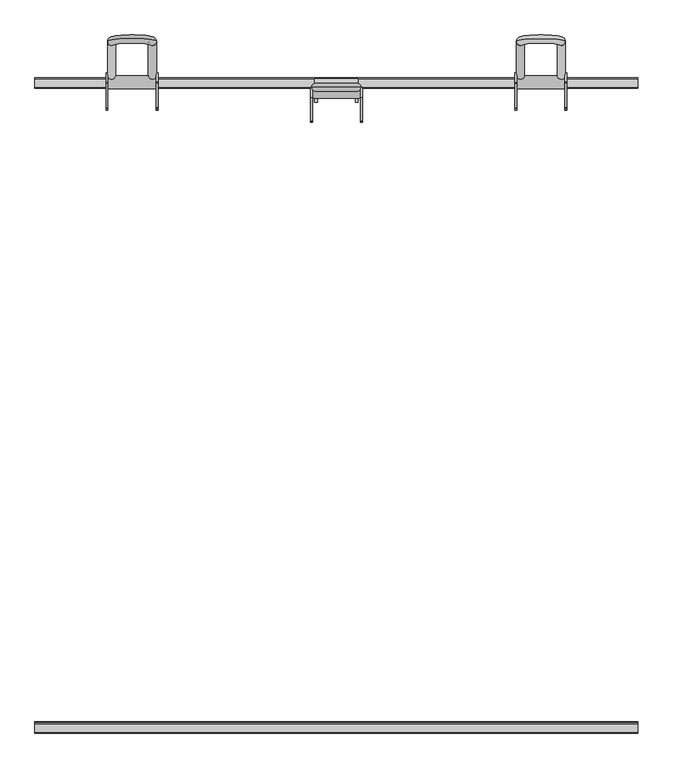
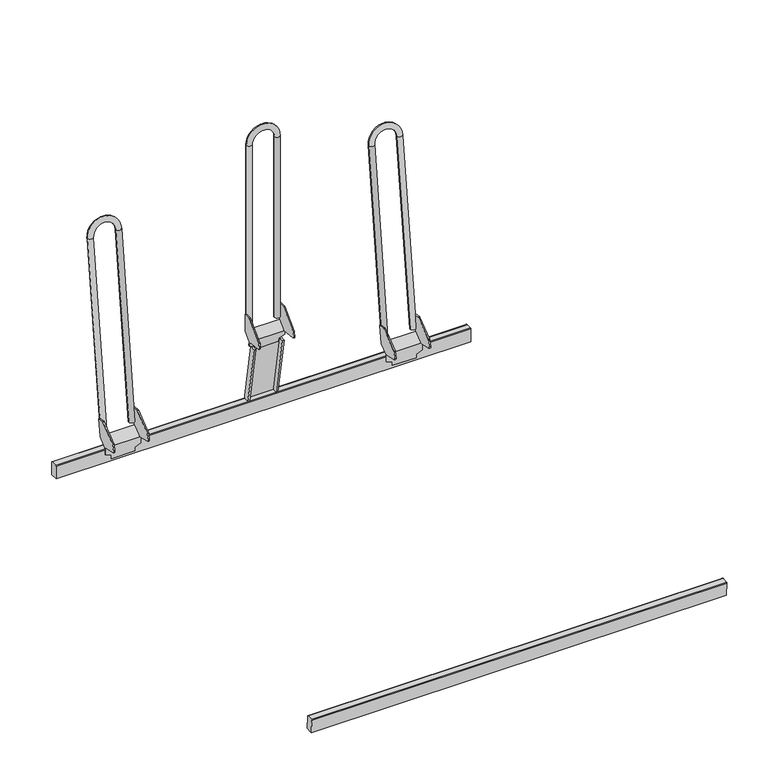
"""IFC4 building model written with IfcOpenShell, lengths in millimetres: proxy geometry."""

from ifc_helpers import new_model, si_unit, point, frame, frame_2d, origin, place, context, project, spatial, polyline, circle_curve, ellipse_curve, trimmed, segment, composite_curve, outline, extrude, source, transform, mapped, element, save
from ifc_brep_helpers import plane_surface, cylinder_surface, revolved_surface, advanced_brep


def parking_a4bcd320(model_context):
    return source(origin(), model_context, "Body", "SolidModel", [
        advanced_brep(
        [(349.1811577, 589.2519533, 63.0446241), (349.1811577, 565.6416002, 44.5364845), (349.1811577, 565.6416002, 24.6645516), (349.1811577, 563.5616628, 24.6645516), (349.1811577, 563.5616628, 45.0514916), (349.1811577, 524.7480023, 54.6620253), (349.1811577, 521.8246807, 59.5094341), (349.1811577, 526.138175, 76.930163), (349.1811577, 527.1994208, 78.5701519), (349.1811577, 575.1215703, 116.1362921), (349.1811577, 576.5959669, 116.5477533), (349.1811577, 595.4565216, 114.262995), (450.8188423, 565.6416002, 44.5364845), (450.8188423, 589.2519533, 63.0446241), (450.8188423, 595.4565216, 114.262995), (450.8188423, 576.5959669, 116.5477533), (450.8188423, 575.1215703, 116.1362921), (450.8188423, 527.1994208, 78.5701519), (450.8188423, 526.138175, 76.930163), (450.8188423, 521.8246807, 59.5094341), (450.8188423, 524.7480023, 54.6620253), (450.8188423, 563.5616628, 45.0514916), (450.8188423, 563.5616628, 24.6645516), (450.8188423, 565.6416002, 24.6645516), (352.7309694, 595.4565216, 114.262995), (352.7309694, 589.5391244, 65.4152059), (447.2690307, 589.5391244, 65.4152059), (447.2690307, 595.4565216, 114.262995), (447.2690307, 563.5616628, 45.0514916), (352.7309694, 563.5616628, 45.0514916), (447.2690307, 565.6416002, 44.5364845), (352.7309694, 565.6416002, 44.5364845), (366.2652221, 563.5616628, 17.4127965), (366.2652221, 563.5616628, 7.4127965), (433.7347779, 563.5616628, 7.4127965), (433.7347779, 563.5616628, 17.4127965), (433.7347779, 565.6416002, 17.4127965), (433.7347779, 565.6416002, 7.4127965), (366.2652221, 565.6416002, 7.4127965), (366.2652221, 565.6416002, 17.4127965), (447.2690307, 524.7480023, 54.6620253), (447.2690307, 521.8246807, 59.5094341), (447.2690307, 526.138175, 76.930163), (447.2690307, 527.1994208, 78.5701519), (447.2690307, 575.1215703, 116.1362921), (447.2690307, 576.5959669, 116.5477533), (352.7309694, 576.5959669, 116.5477533), (352.7309694, 575.1215703, 116.1362921), (352.7309694, 527.1994208, 78.5701519), (352.7309694, 526.138175, 76.930163), (352.7309694, 521.8246807, 59.5094341), (352.7309694, 524.7480023, 54.6620253)],
        [
            (0, 1),
            (1, 2),
            (2, 3),
            (3, 4),
            (4, 5),
            (5, 6, circle_curve(frame((349.1811577, 525.7100459, 58.5473905), z_axis=(-1.0, 0.0, 0.0), x_axis=(0.0, 0.9993329440952969, 0.036519403689357466)), 4.0026979)),
            (6, 7),
            (7, 8, circle_curve(frame((349.1811577, 529.0502347, 76.2091166), z_axis=(-1.0, 0.0, 0.0), x_axis=(0.0, 0.9993329440952969, 0.036519403689357466)), 3.0)),
            (8, 9),
            (9, 10, circle_curve(frame((349.1811577, 576.3554463, 114.5622685), z_axis=(-1.0, 0.0, 0.0), x_axis=(0.0, 0.9993329440952969, 0.036519403689357466)), 2.0)),
            (10, 11),
            (11, 0),
            (12, 13),
            (13, 14),
            (14, 15),
            (15, 16, circle_curve(frame((450.8188423, 576.3554463, 114.5622685), z_axis=(1.0, 0.0, 0.0), x_axis=(0.0, 0.9993329440952969, 0.036519403689357466)), 2.0)),
            (16, 17),
            (17, 18, circle_curve(frame((450.8188423, 529.0502347, 76.2091166), z_axis=(1.0, 0.0, 0.0), x_axis=(0.0, 0.9993329440952969, 0.036519403689357466)), 3.0)),
            (18, 19),
            (19, 20, circle_curve(frame((450.8188423, 525.7100459, 58.5473905), z_axis=(1.0, 0.0, 0.0), x_axis=(0.0, 0.9993329440952969, 0.036519403689357466)), 4.0026979)),
            (20, 21),
            (21, 22),
            (22, 23),
            (23, 12),
            (11, 24),
            (24, 25),
            (25, 26),
            (26, 27),
            (27, 14),
            (13, 0),
            (28, 26),
            (25, 29),
            (29, 28),
            (12, 30),
            (30, 31),
            (31, 1),
            (3, 32),
            (32, 33),
            (33, 34),
            (34, 35),
            (35, 22),
            (21, 28),
            (29, 4),
            (23, 36),
            (36, 37),
            (37, 38),
            (38, 39),
            (39, 2),
            (35, 36),
            (39, 32),
            (38, 33),
            (37, 34),
            (40, 41, circle_curve(frame((447.2690307, 525.7100459, 58.5473905), z_axis=(-1.0, 0.0, 0.0), x_axis=(0.0, 0.9993329440952969, 0.036519403689357466)), 4.0026979)),
            (41, 42),
            (42, 43, circle_curve(frame((447.2690307, 529.0502347, 76.2091166), z_axis=(-1.0, 0.0, 0.0), x_axis=(0.0, 0.9993329440952969, 0.036519403689357466)), 3.0)),
            (43, 44),
            (44, 45, circle_curve(frame((447.2690307, 576.3554463, 114.5622685), z_axis=(-1.0, 0.0, 0.0), x_axis=(0.0, 0.9993329440952969, 0.036519403689357466)), 2.0)),
            (45, 27),
            (28, 40),
            (24, 46),
            (46, 47, circle_curve(frame((352.7309694, 576.3554463, 114.5622685), z_axis=(1.0, 0.0, 0.0), x_axis=(0.0, 0.9993329440952969, 0.036519403689357466)), 2.0)),
            (47, 48),
            (48, 49, circle_curve(frame((352.7309694, 529.0502347, 76.2091166), z_axis=(1.0, 0.0, 0.0), x_axis=(0.0, 0.9993329440952969, 0.036519403689357466)), 3.0)),
            (49, 50),
            (50, 51, circle_curve(frame((352.7309694, 525.7100459, 58.5473905), z_axis=(1.0, 0.0, 0.0), x_axis=(0.0, 0.9993329440952969, 0.036519403689357466)), 4.0026979)),
            (51, 29),
            (10, 46),
            (9, 47),
            (8, 48),
            (7, 49),
            (6, 50),
            (5, 51),
            (20, 40),
            (19, 41),
            (18, 42),
            (17, 43),
            (16, 44),
            (15, 45),
        ],
        [
            plane_surface(frame((349.1811577, 589.2150144, 62.7396959), z_axis=(-1.0000000000000002, 0.0, 0.0), x_axis=(0.0, -0.1202603252771778, -0.9927423906352683))),
            plane_surface(frame((450.8188423, 589.2150144, 62.7396959), z_axis=(1.0000000000000002, 0.0, 0.0), x_axis=(0.0, 0.1202603252771778, 0.9927423906352683))),
            plane_surface(frame((349.1811577, 589.5391244, 65.4152059), z_axis=(0.0, 0.9927423906352683, -0.1202603252771778), x_axis=(1.0, 0.0, 0.0))),
            plane_surface(frame((349.1811577, 563.5616628, 45.0514916), z_axis=(0.0, -0.6169379848783597, 0.7870117679007277), x_axis=(1.0, 0.0, 0.0))),
            plane_surface(frame((349.1811577, 589.2519533, 63.0446241), z_axis=(0.0, 0.6169379848783603, -0.7870117679007274), x_axis=(1.0, 0.0, 0.0))),
            plane_surface(frame((349.1811577, 563.5616628, 4.1342929), z_axis=(0.0, -1.0, 0.0), x_axis=(1.0, 0.0, 0.0))),
            plane_surface(frame((349.1811577, 565.6416002, 44.5364845), z_axis=(0.0, 1.0, 0.0), x_axis=(1.0, 0.0, 0.0))),
            plane_surface(frame((450.8188423, 530.7601465, 24.6645516), z_axis=(0.39073112848927327, 0.0, -0.9205048534524405), x_axis=(0.0, 1.0, 0.0))),
            plane_surface(frame((366.2652221, 530.7601465, 17.4127965), z_axis=(-0.39073112848927294, 0.0, -0.9205048534524407), x_axis=(0.0, 1.0, 0.0))),
            plane_surface(frame((366.2652221, 530.7601465, 7.4127965), z_axis=(-1.0, 0.0, 0.0), x_axis=(0.0, 1.0, 0.0))),
            plane_surface(frame((433.7347779, 530.7601465, 7.4127965), z_axis=(0.0, 0.0, -1.0), x_axis=(0.0, 1.0, 0.0))),
            plane_surface(frame((433.7347779, 530.7601465, 17.4127965), z_axis=(1.0, 0.0, 0.0), x_axis=(0.0, 1.0, 0.0))),
            plane_surface(frame((447.2690307, 589.0810198, 62.9106294), z_axis=(-1.0000000000000002, 0.0, 0.0), x_axis=(0.0, -0.7870117679007274, -0.6169379848783603))),
            plane_surface(frame((352.7309694, 599.0643313, 144.0452667), z_axis=(1.0, 0.0, 0.0), x_axis=(0.0, 0.12026032527716275, 0.99274239063527))),
            plane_surface(frame((352.7309694, 595.4565216, 114.262995), z_axis=(0.0, 0.12026032527716858, 0.9927423906352694), x_axis=(-1.0, 0.0, 0.0))),
            cylinder_surface(frame((349.1811577, 576.3554463, 114.5622685), z_axis=(1.0000000000000002, 0.0, 0.0), x_axis=(0.0, 0.9993329440952969, 0.036519403689357466)), 2.0),
            plane_surface(frame((352.7309694, 575.1215703, 116.1362921), z_axis=(0.0, -0.6169379848783629, 0.7870117679007252), x_axis=(-1.0, 0.0, 0.0))),
            cylinder_surface(frame((349.1811577, 529.0502347, 76.2091166), z_axis=(1.0000000000000002, 0.0, 0.0), x_axis=(0.0, 0.9993329440952969, 0.036519403689357466)), 3.0),
            plane_surface(frame((352.7309694, 526.138175, 76.930163), z_axis=(0.0, -0.9706865925170237, 0.24034878636616758), x_axis=(-1.0, 0.0, 0.0))),
            cylinder_surface(frame((349.1811577, 525.7100459, 58.5473905), z_axis=(1.0000000000000002, 0.0, 0.0), x_axis=(0.0, 0.9993329440952969, 0.036519403689357466)), 4.0026979),
            plane_surface(frame((352.7309694, 524.7480023, 54.6620253), z_axis=(0.0, -0.24034878636616136, -0.9706865925170252), x_axis=(-1.0, 0.0, 0.0))),
            plane_surface(frame((447.2690307, 565.6416002, 44.5364845), z_axis=(0.0, -0.24034878636616136, -0.9706865925170252), x_axis=(1.0, 0.0, 0.0))),
            cylinder_surface(frame((450.8188423, 525.7100459, 58.5473905), z_axis=(-1.0000000000000002, 0.0, 0.0), x_axis=(0.0, 0.9993329440952969, 0.036519403689357466)), 4.0026979),
            plane_surface(frame((447.2690307, 521.8246807, 59.5094341), z_axis=(0.0, -0.9706865925170237, 0.24034878636616758), x_axis=(1.0, 0.0, 0.0))),
            cylinder_surface(frame((450.8188423, 529.0502347, 76.2091166), z_axis=(-1.0000000000000002, 0.0, 0.0), x_axis=(0.0, 0.9993329440952969, 0.036519403689357466)), 3.0),
            plane_surface(frame((447.2690307, 527.1994208, 78.5701519), z_axis=(0.0, -0.6169379848783629, 0.7870117679007252), x_axis=(1.0, 0.0, 0.0))),
            cylinder_surface(frame((450.8188423, 576.3554463, 114.5622685), z_axis=(-1.0000000000000002, 0.0, 0.0), x_axis=(0.0, 0.9993329440952969, 0.036519403689357466)), 2.0),
            plane_surface(frame((447.2690307, 576.5959669, 116.5477533), z_axis=(0.0, 0.12026032527716858, 0.9927423906352694), x_axis=(1.0, 0.0, 0.0))),
        ],
        [
            (0, [[1, 2, 3, 4, 5, 6, 7, 8, 9, 10, 11, 12]]),
            (1, [[13, 14, 15, 16, 17, 18, 19, 20, 21, 22, 23, 24]]),
            (2, [[-12, 25, 26, 27, 28, 29, -14, 30]]),
            (3, [[31, -27, 32, 33]]),
            (4, [[-1, -30, -13, 34, 35, 36]]),
            (5, [[-4, 37, 38, 39, 40, 41, -22, 42, -33, 43]]),
            (6, [[-2, -36, -35, -34, -24, 44, 45, 46, 47, 48]]),
            (7, [[49, -44, -23, -41]]),
            (8, [[50, -37, -3, -48]]),
            (9, [[-50, -47, 51, -38]]),
            (10, [[-51, -46, 52, -39]]),
            (11, [[-52, -45, -49, -40]]),
            (12, [[53, 54, 55, 56, 57, 58, -28, -31, 59]]),
            (13, [[60, 61, 62, 63, 64, 65, 66, -32, -26]]),
            (14, [[-60, -25, -11, 67]]),
            (15, [[-61, -67, -10, 68]]),
            (16, [[-62, -68, -9, 69]]),
            (17, [[-63, -69, -8, 70]]),
            (18, [[-64, -70, -7, 71]]),
            (19, [[-65, -71, -6, 72]]),
            (20, [[-72, -5, -43, -66]]),
            (21, [[73, -59, -42, -21]]),
            (22, [[-53, -73, -20, 74]]),
            (23, [[-54, -74, -19, 75]]),
            (24, [[-55, -75, -18, 76]]),
            (25, [[-56, -76, -17, 77]]),
            (26, [[-57, -77, -16, 78]]),
            (27, [[-58, -78, -15, -29]]),
        ],
    ),
        advanced_brep(
        [(448.0283353, 590.8766249, 76.9039447), (431.9716647, 590.8766249, 76.9039447), (431.9716647, 656.2792539, 616.7990611), (448.0283353, 656.2792539, 616.7990611), (351.9716647, 656.2792539, 616.7990611), (368.0283353, 656.2792539, 616.7990611), (351.9716647, 590.8766249, 76.9039447), (368.0283353, 590.8766249, 76.9039447)],
        [
            (0, 1, circle_curve(frame((440.0, 590.8766249, 76.9039447), z_axis=(0.0, -0.12026032527716479, -0.9927423906352698), x_axis=(-1.0, 0.0, 0.0)), 8.0283353)),
            (1, 0, circle_curve(frame((440.0, 590.8766249, 76.9039447), z_axis=(0.0, -0.12026032527716479, -0.9927423906352698), x_axis=(-1.0, 0.0, 0.0)), 8.0283353)),
            (1, 2),
            (2, 3, circle_curve(frame((440.0, 656.2792539, 616.7990611), z_axis=(0.0, -0.12026032527716479, -0.9927423906352698), x_axis=(-1.0, 0.0, 0.0)), 8.0283353)),
            (3, 0),
            (3, 2, circle_curve(frame((440.0, 656.2792539, 616.7990611), z_axis=(0.0, -0.12026032527716479, -0.9927423906352698), x_axis=(-1.0, 0.0, 0.0)), 8.0283353)),
            (4, 3, circle_curve(frame((400.0, 656.2792539, 616.7990611), z_axis=(0.0, 0.9927423906352698, -0.12026032527716479), x_axis=(1.0, 0.0, 0.0)), 48.0283353)),
            (2, 5, circle_curve(frame((400.0, 656.2792539, 616.7990611), z_axis=(0.0, -0.9927423906352698, 0.12026032527716479), x_axis=(1.0, 0.0, 0.0)), 31.9716647)),
            (5, 4, circle_curve(frame((360.0, 656.2792539, 616.7990611), z_axis=(0.0, 0.12026032527716479, 0.9927423906352698), x_axis=(1.0, 0.0, 0.0)), 8.0283353)),
            (4, 5, circle_curve(frame((360.0, 656.2792539, 616.7990611), z_axis=(0.0, 0.12026032527716479, 0.9927423906352698), x_axis=(1.0, 0.0, 0.0)), 8.0283353)),
            (6, 7, circle_curve(frame((360.0, 590.8766249, 76.9039447), z_axis=(0.0, -0.12026032527716475, -0.9927423906352698), x_axis=(1.0, 0.0, 0.0)), 8.0283353)),
            (7, 6, circle_curve(frame((360.0, 590.8766249, 76.9039447), z_axis=(0.0, -0.12026032527716475, -0.9927423906352698), x_axis=(1.0, 0.0, 0.0)), 8.0283353)),
            (5, 7),
            (6, 4),
        ],
        [
            plane_surface(frame((440.0, -51.4341584, 154.7131573), z_axis=(0.0, -0.12026032527716479, -0.9927423906352698), x_axis=(0.0, -0.9927423906352698, 0.12026032527716479))),
            cylinder_surface(frame((440.0, 590.8766249, 76.9039447), z_axis=(0.0, -0.12026032527716479, -0.9927423906352698), x_axis=(-1.0, 0.0, 0.0)), 8.0283353),
            revolved_surface(trimmed(ellipse_curve(frame((440.0, 656.2792539, 616.7990611), z_axis=(0.0, -0.12026032527716479, -0.9927423906352698), x_axis=(-1.0, 0.0, 0.0)), 8.0283353, 8.0283353), [point((431.9716647, 656.2792539, 616.7990611))], [point((448.0283353, 656.2792539, 616.7990611))], True, "CARTESIAN"), (400.0, 13.9684706, 694.6082737), (0.0, -0.9927423906352698, 0.12026032527716479)),
            revolved_surface(trimmed(ellipse_curve(frame((440.0, 656.2792539, 616.7990611), z_axis=(0.0, -0.12026032527716479, -0.9927423906352698), x_axis=(-1.0, 0.0, 0.0)), 8.0283353, 8.0283353), [point((448.0283353, 656.2792539, 616.7990611))], [point((431.9716647, 656.2792539, 616.7990611))], True, "CARTESIAN"), (400.0, 13.9684706, 694.6082737), (0.0, -0.9927423906352698, 0.12026032527716479)),
            plane_surface(frame((360.0, -51.4341584, 154.7131573), z_axis=(0.0, -0.12026032527716475, -0.9927423906352698), x_axis=(0.0, -0.9927423906352698, 0.12026032527716475))),
            cylinder_surface(frame((360.0, 656.2792539, 616.7990611), z_axis=(0.0, 0.12026032527716475, 0.9927423906352698), x_axis=(1.0, 0.0, 0.0)), 8.0283353),
        ],
        [
            (0, [[1, 2]]),
            (1, [[-2, 3, 4, 5]]),
            (1, [[-1, -5, 6, -3]]),
            (2, [[7, -4, 8, 9]]),
            (3, [[-8, -6, -7, 10]]),
            (4, [[11, 12]]),
            (5, [[-9, 13, -11, 14]]),
            (5, [[-10, -14, -12, -13]]),
        ],
    ),
        advanced_brep(
        [(-349.1811577, 565.6416002, 44.5364845), (-349.1811577, 589.2519533, 63.0446241), (-349.1811577, 595.4565216, 114.262995), (-349.1811577, 576.5959669, 116.5477533), (-349.1811577, 575.1215703, 116.1362921), (-349.1811577, 527.1994208, 78.5701519), (-349.1811577, 526.138175, 76.930163), (-349.1811577, 521.8246807, 59.5094341), (-349.1811577, 524.7480023, 54.6620253), (-349.1811577, 563.5616628, 45.0514916), (-349.1811577, 563.5616628, 24.6645516), (-349.1811577, 565.6416002, 24.6645516), (-450.8188423, 589.2519533, 63.0446241), (-450.8188423, 565.6416002, 44.5364845), (-450.8188423, 565.6416002, 24.6645516), (-450.8188423, 563.5616628, 24.6645516), (-450.8188423, 563.5616628, 45.0514916), (-450.8188423, 524.7480023, 54.6620253), (-450.8188423, 521.8246807, 59.5094341), (-450.8188423, 526.138175, 76.930163), (-450.8188423, 527.1994208, 78.5701519), (-450.8188423, 575.1215703, 116.1362921), (-450.8188423, 576.5959669, 116.5477533), (-450.8188423, 595.4565216, 114.262995), (-447.2690307, 595.4565216, 114.262995), (-447.2690307, 589.5391244, 65.4152059), (-352.7309694, 589.5391244, 65.4152059), (-352.7309694, 595.4565216, 114.262995), (-447.2690307, 563.5616628, 45.0514916), (-352.7309694, 563.5616628, 45.0514916), (-352.7309694, 565.6416002, 44.5364845), (-447.2690307, 565.6416002, 44.5364845), (-433.7347779, 563.5616628, 17.4127965), (-433.7347779, 563.5616628, 7.4127965), (-366.2652221, 563.5616628, 7.4127965), (-366.2652221, 563.5616628, 17.4127965), (-366.2652221, 565.6416002, 17.4127965), (-366.2652221, 565.6416002, 7.4127965), (-433.7347779, 565.6416002, 7.4127965), (-433.7347779, 565.6416002, 17.4127965), (-447.2690307, 576.5959669, 116.5477533), (-447.2690307, 575.1215703, 116.1362921), (-447.2690307, 527.1994208, 78.5701519), (-447.2690307, 526.138175, 76.930163), (-447.2690307, 521.8246807, 59.5094341), (-447.2690307, 524.7480023, 54.6620253), (-352.7309694, 524.7480023, 54.6620253), (-352.7309694, 521.8246807, 59.5094341), (-352.7309694, 526.138175, 76.930163), (-352.7309694, 527.1994208, 78.5701519), (-352.7309694, 575.1215703, 116.1362921), (-352.7309694, 576.5959669, 116.5477533)],
        [
            (0, 1),
            (1, 2),
            (2, 3),
            (3, 4, circle_curve(frame((-349.1811577, 576.3554463, 114.5622685), z_axis=(1.0, 0.0, 0.0), x_axis=(0.0, 0.9993329440952969, 0.036519403689357466)), 2.0)),
            (4, 5),
            (5, 6, circle_curve(frame((-349.1811577, 529.0502347, 76.2091166), z_axis=(1.0, 0.0, 0.0), x_axis=(0.0, 0.9993329440952969, 0.036519403689357466)), 3.0)),
            (6, 7),
            (7, 8, circle_curve(frame((-349.1811577, 525.7100459, 58.5473905), z_axis=(1.0, 0.0, 0.0), x_axis=(0.0, 0.9993329440952969, 0.036519403689357466)), 4.0026979)),
            (8, 9),
            (9, 10),
            (10, 11),
            (11, 0),
            (12, 13),
            (13, 14),
            (14, 15),
            (15, 16),
            (16, 17),
            (17, 18, circle_curve(frame((-450.8188423, 525.7100459, 58.5473905), z_axis=(-1.0, 0.0, 0.0), x_axis=(0.0, 0.9993329440952969, 0.036519403689357466)), 4.0026979)),
            (18, 19),
            (19, 20, circle_curve(frame((-450.8188423, 529.0502347, 76.2091166), z_axis=(-1.0, 0.0, 0.0), x_axis=(0.0, 0.9993329440952969, 0.036519403689357466)), 3.0)),
            (20, 21),
            (21, 22, circle_curve(frame((-450.8188423, 576.3554463, 114.5622685), z_axis=(-1.0, 0.0, 0.0), x_axis=(0.0, 0.9993329440952969, 0.036519403689357466)), 2.0)),
            (22, 23),
            (23, 12),
            (1, 12),
            (23, 24),
            (24, 25),
            (25, 26),
            (26, 27),
            (27, 2),
            (25, 28),
            (28, 29),
            (29, 26),
            (0, 30),
            (30, 31),
            (31, 13),
            (9, 29),
            (28, 16),
            (15, 32),
            (32, 33),
            (33, 34),
            (34, 35),
            (35, 10),
            (11, 36),
            (36, 37),
            (37, 38),
            (38, 39),
            (39, 14),
            (39, 32),
            (35, 36),
            (34, 37),
            (33, 38),
            (24, 40),
            (40, 41, circle_curve(frame((-447.2690307, 576.3554463, 114.5622685), z_axis=(1.0, 0.0, 0.0), x_axis=(0.0, 0.9993329440952969, 0.036519403689357466)), 2.0)),
            (41, 42),
            (42, 43, circle_curve(frame((-447.2690307, 529.0502347, 76.2091166), z_axis=(1.0, 0.0, 0.0), x_axis=(0.0, 0.9993329440952969, 0.036519403689357466)), 3.0)),
            (43, 44),
            (44, 45, circle_curve(frame((-447.2690307, 525.7100459, 58.5473905), z_axis=(1.0, 0.0, 0.0), x_axis=(0.0, 0.9993329440952969, 0.036519403689357466)), 4.0026979)),
            (45, 28),
            (22, 40),
            (41, 21),
            (20, 42),
            (43, 19),
            (18, 44),
            (45, 17),
            (46, 47, circle_curve(frame((-352.7309694, 525.7100459, 58.5473905), z_axis=(-1.0, 0.0, 0.0), x_axis=(0.0, 0.9993329440952969, 0.036519403689357466)), 4.0026979)),
            (47, 48),
            (48, 49, circle_curve(frame((-352.7309694, 529.0502347, 76.2091166), z_axis=(-1.0, 0.0, 0.0), x_axis=(0.0, 0.9993329440952969, 0.036519403689357466)), 3.0)),
            (49, 50),
            (50, 51, circle_curve(frame((-352.7309694, 576.3554463, 114.5622685), z_axis=(-1.0, 0.0, 0.0), x_axis=(0.0, 0.9993329440952969, 0.036519403689357466)), 2.0)),
            (51, 27),
            (29, 46),
            (8, 46),
            (7, 47),
            (6, 48),
            (5, 49),
            (4, 50),
            (3, 51),
        ],
        [
            plane_surface(frame((-349.1811577, 565.2123306, 46.345449), z_axis=(1.0, 0.0, 0.0), x_axis=(0.0, -0.7870117679007277, -0.6169379848783597))),
            plane_surface(frame((-450.8188423, 565.2123306, 46.345449), z_axis=(-1.0, 0.0, 0.0), x_axis=(0.0, 0.7870117679007277, 0.6169379848783597))),
            plane_surface(frame((-349.1811577, 589.2519533, 63.0446241), z_axis=(0.0, 0.9927423906352683, -0.1202603252771778), x_axis=(-1.0, 0.0, 0.0))),
            plane_surface(frame((-349.1811577, 589.5391244, 65.4152059), z_axis=(0.0, -0.6169379848783597, 0.7870117679007277), x_axis=(-1.0, 0.0, 0.0))),
            plane_surface(frame((-349.1811577, 565.6416002, 44.5364845), z_axis=(0.0, 0.6169379848783604, -0.7870117679007271), x_axis=(-1.0, 0.0, 0.0))),
            plane_surface(frame((-349.1811577, 563.5616628, 45.0514916), z_axis=(0.0, -1.0, 0.0), x_axis=(-1.0, 0.0, 0.0))),
            plane_surface(frame((-349.1811577, 565.6416002, 4.1342929), z_axis=(0.0, 1.0, 0.0), x_axis=(-1.0, 0.0, 0.0))),
            plane_surface(frame((-433.7347779, 530.7601465, 17.4127965), z_axis=(-0.39073112848927327, 0.0, -0.9205048534524405), x_axis=(0.0, 1.0, 0.0))),
            plane_surface(frame((-349.1811577, 530.7601465, 24.6645516), z_axis=(0.39073112848927294, 0.0, -0.9205048534524407), x_axis=(0.0, 1.0, 0.0))),
            plane_surface(frame((-366.2652221, 530.7601465, 17.4127965), z_axis=(1.0, 0.0, 0.0), x_axis=(0.0, 1.0, 0.0))),
            plane_surface(frame((-366.2652221, 530.7601465, 7.4127965), z_axis=(0.0, 0.0, -1.0), x_axis=(0.0, 1.0, 0.0))),
            plane_surface(frame((-433.7347779, 530.7601465, 7.4127965), z_axis=(-1.0, 0.0, 0.0), x_axis=(0.0, 1.0, 0.0))),
            plane_surface(frame((-447.2690307, 599.0643313, 144.0452667), z_axis=(1.0, 0.0, 0.0), x_axis=(0.0, 0.12026032527716275, 0.99274239063527))),
            plane_surface(frame((-447.2690307, 595.4565216, 114.262995), z_axis=(0.0, 0.12026032527716858, 0.9927423906352694), x_axis=(-1.0, 0.0, 0.0))),
            plane_surface(frame((-447.2690307, 575.1215703, 116.1362921), z_axis=(0.0, -0.6169379848783629, 0.7870117679007252), x_axis=(-1.0, 0.0, 0.0))),
            plane_surface(frame((-447.2690307, 526.138175, 76.930163), z_axis=(0.0, -0.9706865925170237, 0.2403487863661677), x_axis=(-1.0, 0.0, 0.0))),
            plane_surface(frame((-447.2690307, 524.7480023, 54.6620253), z_axis=(0.0, -0.24034878636616136, -0.9706865925170252), x_axis=(-1.0, 0.0, 0.0))),
            plane_surface(frame((-352.7309694, 589.0810198, 62.9106294), z_axis=(-1.0000000000000002, 0.0, 0.0), x_axis=(0.0, -0.7870117679007274, -0.6169379848783603))),
            cylinder_surface(frame((-450.8188423, 525.7100459, 58.5473905), z_axis=(1.0000000000000002, 0.0, 0.0), x_axis=(0.0, 0.9993329440952969, 0.036519403689357466)), 4.0026979),
            cylinder_surface(frame((-450.8188423, 576.3554463, 114.5622685), z_axis=(1.0000000000000002, 0.0, 0.0), x_axis=(0.0, 0.9993329440952969, 0.036519403689357466)), 2.0),
            cylinder_surface(frame((-450.8188423, 529.0502347, 76.2091166), z_axis=(1.0000000000000002, 0.0, 0.0), x_axis=(0.0, 0.9993329440952969, 0.036519403689357466)), 3.0),
            plane_surface(frame((-352.7309694, 565.6416002, 44.5364845), z_axis=(0.0, -0.24034878636616136, -0.9706865925170252), x_axis=(1.0, 0.0, 0.0))),
            cylinder_surface(frame((-349.1811577, 525.7100459, 58.5473905), z_axis=(-1.0000000000000002, 0.0, 0.0), x_axis=(0.0, 0.9993329440952969, 0.036519403689357466)), 4.0026979),
            plane_surface(frame((-352.7309694, 521.8246807, 59.5094341), z_axis=(0.0, -0.9706865925170237, 0.24034878636616758), x_axis=(1.0, 0.0, 0.0))),
            cylinder_surface(frame((-349.1811577, 529.0502347, 76.2091166), z_axis=(-1.0000000000000002, 0.0, 0.0), x_axis=(0.0, 0.9993329440952969, 0.036519403689357466)), 3.0),
            plane_surface(frame((-352.7309694, 527.1994208, 78.5701519), z_axis=(0.0, -0.6169379848783629, 0.7870117679007252), x_axis=(1.0, 0.0, 0.0))),
            cylinder_surface(frame((-349.1811577, 576.3554463, 114.5622685), z_axis=(-1.0000000000000002, 0.0, 0.0), x_axis=(0.0, 0.9993329440952969, 0.036519403689357466)), 2.0),
            plane_surface(frame((-352.7309694, 576.5959669, 116.5477533), z_axis=(0.0, 0.12026032527716858, 0.9927423906352694), x_axis=(1.0, 0.0, 0.0))),
        ],
        [
            (0, [[1, 2, 3, 4, 5, 6, 7, 8, 9, 10, 11, 12]]),
            (1, [[13, 14, 15, 16, 17, 18, 19, 20, 21, 22, 23, 24]]),
            (2, [[-2, 25, -24, 26, 27, 28, 29, 30]]),
            (3, [[31, 32, 33, -28]]),
            (4, [[-25, -1, 34, 35, 36, -13]]),
            (5, [[-10, 37, -32, 38, -16, 39, 40, 41, 42, 43]]),
            (6, [[-12, 44, 45, 46, 47, 48, -14, -36, -35, -34]]),
            (7, [[49, -39, -15, -48]]),
            (8, [[50, -44, -11, -43]]),
            (9, [[-50, -42, 51, -45]]),
            (10, [[-51, -41, 52, -46]]),
            (11, [[-49, -47, -52, -40]]),
            (12, [[53, 54, 55, 56, 57, 58, 59, -31, -27]]),
            (13, [[-53, -26, -23, 60]]),
            (14, [[-55, 61, -21, 62]]),
            (15, [[-57, 63, -19, 64]]),
            (16, [[65, -17, -38, -59]]),
            (17, [[66, 67, 68, 69, 70, 71, -29, -33, 72]]),
            (18, [[-58, -64, -18, -65]]),
            (19, [[-54, -60, -22, -61]]),
            (20, [[-56, -62, -20, -63]]),
            (21, [[73, -72, -37, -9]]),
            (22, [[-66, -73, -8, 74]]),
            (23, [[-67, -74, -7, 75]]),
            (24, [[-68, -75, -6, 76]]),
            (25, [[-69, -76, -5, 77]]),
            (26, [[-70, -77, -4, 78]]),
            (27, [[-71, -78, -3, -30]]),
        ],
    ),
        advanced_brep(
        [(-431.9716647, 590.8766249, 76.9039447), (-448.0283353, 590.8766249, 76.9039447), (-431.9716647, 656.2792539, 616.7990611), (-448.0283353, 656.2792539, 616.7990611), (-351.9716647, 656.2792539, 616.7990611), (-368.0283353, 656.2792539, 616.7990611), (-368.0283353, 590.8766249, 76.9039447), (-351.9716647, 590.8766249, 76.9039447)],
        [
            (0, 1, circle_curve(frame((-440.0, 590.8766249, 76.9039447), z_axis=(0.0, -0.12026032527716479, -0.9927423906352698), x_axis=(-1.0, 0.0, 0.0)), 8.0283353)),
            (1, 0, circle_curve(frame((-440.0, 590.8766249, 76.9039447), z_axis=(0.0, -0.12026032527716479, -0.9927423906352698), x_axis=(-1.0, 0.0, 0.0)), 8.0283353)),
            (0, 2),
            (2, 3, circle_curve(frame((-440.0, 656.2792539, 616.7990611), z_axis=(0.0, -0.12026032527716479, -0.9927423906352698), x_axis=(-1.0, 0.0, 0.0)), 8.0283353)),
            (3, 1),
            (3, 2, circle_curve(frame((-440.0, 656.2792539, 616.7990611), z_axis=(0.0, -0.12026032527716479, -0.9927423906352698), x_axis=(-1.0, 0.0, 0.0)), 8.0283353)),
            (4, 3, circle_curve(frame((-400.0, 656.2792539, 616.7990611), z_axis=(0.0, -0.9927423906352698, 0.12026032527716479), x_axis=(-1.0, 0.0, 0.0)), 48.0283353)),
            (2, 5, circle_curve(frame((-400.0, 656.2792539, 616.7990611), z_axis=(0.0, 0.9927423906352698, -0.12026032527716479), x_axis=(-1.0, 0.0, 0.0)), 31.9716647)),
            (5, 4, circle_curve(frame((-360.0, 656.2792539, 616.7990611), z_axis=(0.0, 0.12026032527716479, 0.9927423906352698), x_axis=(1.0, 0.0, 0.0)), 8.0283353)),
            (4, 5, circle_curve(frame((-360.0, 656.2792539, 616.7990611), z_axis=(0.0, 0.12026032527716479, 0.9927423906352698), x_axis=(1.0, 0.0, 0.0)), 8.0283353)),
            (6, 7, circle_curve(frame((-360.0, 590.8766249, 76.9039447), z_axis=(0.0, -0.12026032527716475, -0.9927423906352698), x_axis=(1.0, 0.0, 0.0)), 8.0283353)),
            (7, 6, circle_curve(frame((-360.0, 590.8766249, 76.9039447), z_axis=(0.0, -0.12026032527716475, -0.9927423906352698), x_axis=(1.0, 0.0, 0.0)), 8.0283353)),
            (5, 6),
            (7, 4),
        ],
        [
            plane_surface(frame((-440.0, -51.4341584, 154.7131573), z_axis=(0.0, -0.12026032527716479, -0.9927423906352698), x_axis=(0.0, -0.9927423906352698, 0.12026032527716479))),
            cylinder_surface(frame((-440.0, 590.8766249, 76.9039447), z_axis=(0.0, -0.12026032527716479, -0.9927423906352698), x_axis=(-1.0, 0.0, 0.0)), 8.0283353),
            revolved_surface(trimmed(ellipse_curve(frame((-440.0, 656.2792539, 616.7990611), z_axis=(0.0, -0.12026032527716479, -0.9927423906352698), x_axis=(-1.0, 0.0, 0.0)), 8.0283353, 8.0283353), [point((-431.9716647, 656.2792539, 616.7990611))], [point((-448.0283353, 656.2792539, 616.7990611))], True, "CARTESIAN"), (-400.0, 13.9684706, 694.6082737), (0.0, 0.9927423906352698, -0.12026032527716479)),
            revolved_surface(trimmed(ellipse_curve(frame((-440.0, 656.2792539, 616.7990611), z_axis=(0.0, -0.12026032527716479, -0.9927423906352698), x_axis=(-1.0, 0.0, 0.0)), 8.0283353, 8.0283353), [point((-448.0283353, 656.2792539, 616.7990611))], [point((-431.9716647, 656.2792539, 616.7990611))], True, "CARTESIAN"), (-400.0, 13.9684706, 694.6082737), (0.0, 0.9927423906352698, -0.12026032527716479)),
            plane_surface(frame((-360.0, -51.4341584, 154.7131573), z_axis=(0.0, -0.12026032527716475, -0.9927423906352698), x_axis=(0.0, -0.9927423906352698, 0.12026032527716475))),
            cylinder_surface(frame((-360.0, 656.2792539, 616.7990611), z_axis=(0.0, 0.12026032527716475, 0.9927423906352698), x_axis=(1.0, 0.0, 0.0)), 8.0283353),
        ],
        [
            (0, [[1, 2]]),
            (1, [[-1, 3, 4, 5]]),
            (1, [[-2, -5, 6, -3]]),
            (2, [[7, -4, 8, 9]]),
            (3, [[-8, -6, -7, 10]]),
            (4, [[11, 12]]),
            (5, [[-9, 13, -12, 14]]),
            (5, [[-10, -14, -11, -13]]),
        ],
    ),
        advanced_brep(
        [(-31.9716647, 567.029181, 267.481457), (-48.0283353, 567.029181, 267.481457), (-31.9716647, 567.029181, 811.323567), (-48.0283353, 567.029181, 811.323567), (48.0283353, 567.029181, 811.323567), (31.9716647, 567.029181, 811.323567), (31.9716647, 567.029181, 267.481457), (48.0283353, 567.029181, 267.481457)],
        [
            (0, 1, circle_curve(frame((-40.0, 567.029181, 267.481457), z_axis=(0.0, 0.0, -1.0), x_axis=(-1.0, 0.0, 0.0)), 8.0283353)),
            (1, 0, circle_curve(frame((-40.0, 567.029181, 267.481457), z_axis=(0.0, 0.0, -1.0), x_axis=(-1.0, 0.0, 0.0)), 8.0283353)),
            (0, 2),
            (2, 3, circle_curve(frame((-40.0, 567.029181, 811.323567), z_axis=(0.0, 0.0, -1.0), x_axis=(-1.0, 0.0, 0.0)), 8.0283353)),
            (3, 1),
            (3, 2, circle_curve(frame((-40.0, 567.029181, 811.323567), z_axis=(0.0, 0.0, -1.0), x_axis=(-1.0, 0.0, 0.0)), 8.0283353)),
            (4, 3, circle_curve(frame((0.0, 567.029181, 811.323567), z_axis=(0.0, -1.0, 0.0), x_axis=(-1.0, 0.0, 0.0)), 48.0283353)),
            (2, 5, circle_curve(frame((0.0, 567.029181, 811.323567), z_axis=(0.0, 1.0, 0.0), x_axis=(-1.0, 0.0, 0.0)), 31.9716647)),
            (5, 4, circle_curve(frame((40.0, 567.029181, 811.323567), z_axis=(0.0, 0.0, 1.0), x_axis=(1.0, 0.0, 0.0)), 8.0283353)),
            (4, 5, circle_curve(frame((40.0, 567.029181, 811.323567), z_axis=(0.0, 0.0, 1.0), x_axis=(1.0, 0.0, 0.0)), 8.0283353)),
            (6, 7, circle_curve(frame((40.0, 567.029181, 267.481457), z_axis=(0.0, 0.0, -1.0), x_axis=(1.0, 0.0, 0.0)), 8.0283353)),
            (7, 6, circle_curve(frame((40.0, 567.029181, 267.481457), z_axis=(0.0, 0.0, -1.0), x_axis=(1.0, 0.0, 0.0)), 8.0283353)),
            (5, 6),
            (7, 4),
        ],
        [
            plane_surface(frame((-40.0, 0.0, 267.481457), z_axis=(0.0, 0.0, -1.0), x_axis=(0.0, -1.0, 0.0))),
            cylinder_surface(frame((-40.0, 567.029181, 267.481457), z_axis=(0.0, 0.0, -1.0), x_axis=(-1.0, 0.0, 0.0)), 8.0283353),
            revolved_surface(trimmed(ellipse_curve(frame((-40.0, 567.029181, 811.323567), z_axis=(0.0, 0.0, -1.0), x_axis=(-1.0, 0.0, 0.0)), 8.0283353, 8.0283353), [point((-31.9716647, 567.029181, 811.323567))], [point((-48.0283353, 567.029181, 811.323567))], True, "CARTESIAN"), (0.0, 0.0, 811.323567), (0.0, 1.0, 0.0)),
            revolved_surface(trimmed(ellipse_curve(frame((-40.0, 567.029181, 811.323567), z_axis=(0.0, 0.0, -1.0), x_axis=(-1.0, 0.0, 0.0)), 8.0283353, 8.0283353), [point((-48.0283353, 567.029181, 811.323567))], [point((-31.9716647, 567.029181, 811.323567))], True, "CARTESIAN"), (0.0, 0.0, 811.323567), (0.0, 1.0, 0.0)),
            plane_surface(frame((40.0, 0.0, 267.481457), z_axis=(0.0, 0.0, -1.0), x_axis=(0.0, -1.0, 0.0))),
            cylinder_surface(frame((40.0, 567.029181, 811.323567), z_axis=(0.0, 0.0, 1.0), x_axis=(1.0, 0.0, 0.0)), 8.0283353),
        ],
        [
            (0, [[1, 2]]),
            (1, [[-1, 3, 4, 5]]),
            (1, [[-2, -5, 6, -3]]),
            (2, [[7, -4, 8, 9]]),
            (3, [[-8, -6, -7, 10]]),
            (4, [[11, 12]]),
            (5, [[-9, 13, -12, 14]]),
            (5, [[-10, -14, -11, -13]]),
        ],
    ),
        advanced_brep(
        [(-37.4402695, 550.7117475, 214.7482394), (-37.4402695, 537.1434371, 212.3557802), (-37.4402695, 570.2100407, 24.8257524), (-37.4402695, 582.5935569, 33.9375135), (-42.5597305, 582.5935569, 33.9375135), (-42.5597305, 570.2100407, 24.8257524), (-42.5597305, 537.1434371, 212.3557802), (-42.5597305, 552.927285, 215.1388984), (-42.5597305, 584.8090943, 34.3281726), (42.5597305, 552.927285, 215.1388984), (42.5597305, 584.8090943, 34.3281726), (-0.3546876, 552.927285, 215.1388984), (-33.7347779, 550.7117475, 214.7482394), (37.4402695, 582.5935569, 33.9375135), (37.4402695, 550.7117475, 214.7482394), (33.7347779, 550.7117475, 214.7482394), (33.7347779, 552.4482293, 204.9001619), (-33.7347779, 552.4482293, 204.9001619), (42.5597305, 537.1434371, 212.3557802), (42.5597305, 570.2100407, 24.8257524), (42.5597305, 582.5935569, 33.9375135), (-0.3546876, 550.7117475, 214.7482394), (37.4402695, 537.1434371, 212.3557802), (37.4402695, 570.2100407, 24.8257524), (-47.2690307, 567.083027, 305.1201498), (-47.2690307, 547.256162, 305.1201498), (-47.2690307, 500.8047442, 258.668732), (-47.2690307, 499.9484261, 256.9130197), (-47.2690307, 498.3438511, 243.844805), (-47.2690307, 501.8265584, 239.387143), (-47.2690307, 545.2261228, 234.0583466), (-47.2690307, 567.083027, 255.9152508), (-50.8188423, 567.083027, 305.1201498), (-50.8188423, 547.256162, 305.1201498), (-50.8188423, 500.8047442, 258.668732), (-50.8188423, 499.9484261, 256.9130197), (-50.8188423, 498.3438511, 243.844805), (-50.8188423, 501.8265584, 239.387143), (-50.8188423, 545.2261228, 234.0583466), (50.8188423, 547.3528998, 233.7972112), (50.8188423, 567.083027, 253.5273384), (50.8188423, 567.083027, 305.1201498), (50.8188423, 547.256162, 305.1201498), (50.8188423, 500.8047442, 258.668732), (50.8188423, 499.9484261, 256.9130197), (50.8188423, 498.3488573, 243.8855774), (50.8188423, 501.8673307, 239.3821368), (50.8188423, 545.2261228, 234.0583466), (50.8188423, 547.4345034, 221.5339979), (50.8188423, 549.4524935, 221.889824), (-50.8188423, 567.083027, 253.5273384), (-50.8188423, 547.3528998, 233.7972112), (-50.8188423, 549.4524935, 221.889824), (-50.8188423, 547.4345034, 221.5339979), (47.2690307, 567.083027, 255.9152508), (47.2690307, 567.083027, 305.1201498), (47.2690307, 545.2261228, 234.0583466), (-33.7347779, 548.6937574, 214.3924133), (-33.7347779, 550.4302392, 204.5443358), (33.7347779, 550.4302392, 204.5443358), (33.7347779, 548.6937574, 214.3924133), (-47.2690307, 547.3528998, 233.7972112), (47.2690307, 547.3528998, 233.7972112), (47.2690307, 501.8673307, 239.3821368), (47.2690307, 498.3488573, 243.8855774), (47.2690307, 499.9484261, 256.9130197), (47.2690307, 500.8047442, 258.668732), (47.2690307, 547.256162, 305.1201498)],
        [
            (0, 1),
            (1, 2),
            (2, 3),
            (3, 0),
            (4, 5),
            (5, 6),
            (6, 7),
            (7, 8),
            (8, 4),
            (1, 6),
            (5, 2),
            (4, 3),
            (9, 10),
            (10, 8),
            (7, 11),
            (11, 9),
            (12, 0),
            (3, 13),
            (13, 14),
            (14, 15),
            (15, 16),
            (16, 17),
            (17, 12),
            (9, 18),
            (18, 19),
            (19, 20),
            (20, 10),
            (20, 13),
            (11, 21),
            (21, 15),
            (14, 22),
            (22, 18),
            (12, 21),
            (13, 23),
            (23, 22),
            (23, 19),
            (24, 25),
            (25, 26),
            (26, 27, circle_curve(frame((-47.2690307, 502.9260646, 256.5474117), z_axis=(1.0, 0.0, 0.0), x_axis=(0.0, 0.9876883405951372, 0.15643446504023437)), 3.0)),
            (27, 28),
            (28, 29, circle_curve(frame((-47.2690307, 502.3140357, 243.3573276), z_axis=(1.0, 0.0, 0.0), x_axis=(0.0, 0.9876883405951372, 0.15643446504023437)), 4.0)),
            (29, 30),
            (30, 31),
            (31, 24),
            (24, 32),
            (32, 33),
            (33, 25),
            (33, 34),
            (34, 26),
            (27, 35),
            (35, 36),
            (36, 28),
            (29, 37),
            (37, 38),
            (38, 30),
            (39, 40),
            (40, 41),
            (41, 42),
            (42, 43),
            (43, 44, circle_curve(frame((50.8188423, 502.9260646, 256.5474117), z_axis=(1.0, 0.0, 0.0), x_axis=(0.0, 0.9876883405951372, 0.15643446504023437)), 3.0)),
            (44, 45),
            (45, 46, circle_curve(frame((50.8188423, 502.3598143, 243.3930938), z_axis=(1.0, 0.0, 0.0), x_axis=(0.0, 0.9876883405951372, 0.15643446504023437)), 4.0410785)),
            (46, 47),
            (47, 48),
            (48, 49),
            (49, 39),
            (50, 51),
            (51, 52),
            (52, 53),
            (53, 38),
            (37, 36, circle_curve(frame((-50.8188423, 502.3140357, 243.3573276), z_axis=(-1.0, 0.0, 0.0), x_axis=(0.0, 0.9876883405951372, 0.15643446504023437)), 4.0)),
            (35, 34, circle_curve(frame((-50.8188423, 502.9260646, 256.5474117), z_axis=(-1.0, 0.0, 0.0), x_axis=(0.0, 0.9876883405951372, 0.15643446504023437)), 3.0)),
            (32, 50),
            (40, 50),
            (31, 54),
            (54, 55),
            (55, 41),
            (47, 56),
            (56, 30),
            (53, 57),
            (57, 58),
            (58, 59),
            (59, 60),
            (60, 48),
            (58, 17),
            (16, 59),
            (49, 15),
            (12, 52),
            (51, 61),
            (61, 62),
            (62, 39),
            (56, 54),
            (63, 64, circle_curve(frame((47.2690307, 502.3598143, 243.3930938), z_axis=(-1.0, 0.0, 0.0), x_axis=(0.0, 0.9876883405951372, 0.15643446504023437)), 4.0410785)),
            (64, 65),
            (65, 66, circle_curve(frame((47.2690307, 502.9260646, 256.5474117), z_axis=(-1.0, 0.0, 0.0), x_axis=(0.0, 0.9876883405951372, 0.15643446504023437)), 3.0)),
            (66, 67),
            (67, 55),
            (56, 63),
            (67, 42),
            (66, 43),
            (64, 45),
            (44, 65),
            (46, 63),
            (12, 57),
            (60, 15),
        ],
        [
            plane_surface(frame((-37.4402695, 546.9793849, 235.9155195), z_axis=(1.0000000000000002, 0.0, 0.0), x_axis=(0.0, -0.1736481776669319, 0.9848077530122079))),
            plane_surface(frame((-42.5597305, 546.9793849, 235.9155195), z_axis=(-1.0000000000000002, 0.0, 0.0), x_axis=(0.0, 0.1736481776669319, -0.9848077530122079))),
            plane_surface(frame((-37.4402695, 537.1434371, 212.3557802), z_axis=(0.0, -0.9848077530122078, -0.17364817766693205), x_axis=(-1.0, 0.0, 0.0))),
            plane_surface(frame((-37.4402695, 570.2100407, 24.8257524), z_axis=(0.0, 0.5926536266772812, -0.8054574344968615), x_axis=(-1.0, 0.0, 0.0))),
            plane_surface(frame((42.5597305, 549.6390906, 233.7871752), z_axis=(0.0, 0.9848077530122079, 0.17364817766693175), x_axis=(0.0, 0.17364817766693175, -0.9848077530122079))),
            plane_surface(frame((42.5597305, 547.4235532, 233.3965161), z_axis=(0.0, -0.9848077530122079, -0.17364817766693175), x_axis=(0.0, -0.17364817766693175, 0.9848077530122079))),
            plane_surface(frame((42.5597305, 552.927285, 215.1388984), z_axis=(1.0, 0.0, 0.0), x_axis=(0.0, -0.984807753012208, -0.17364817766693083))),
            plane_surface(frame((42.5597305, 584.8090943, 34.3281726), z_axis=(0.0, 0.17364817766693083, -0.984807753012208), x_axis=(0.0, -0.984807753012208, -0.17364817766693083))),
            plane_surface(frame((-0.3546876, 552.927285, 215.1388984), z_axis=(0.0, -0.17364817766693083, 0.984807753012208), x_axis=(0.0, -0.984807753012208, -0.17364817766693083))),
            plane_surface(frame((-37.4402695, 550.7117475, 214.7482394), z_axis=(0.0, -0.17364817766693177, 0.9848077530122079), x_axis=(-1.0, 0.0, 0.0))),
            plane_surface(frame((37.4402695, 308.3064935, -167.8822424), z_axis=(-1.0000000000000002, 0.0, 0.0), x_axis=(0.0, -0.8054574344968625, -0.5926536266772799))),
            plane_surface(frame((37.4402695, 570.2100407, 24.8257524), z_axis=(0.0, -0.9848077530122079, -0.17364817766693136), x_axis=(1.0, 0.0, 0.0))),
            plane_surface(frame((37.4402695, 582.5935569, 33.9375135), z_axis=(0.0, 0.5926536266772799, -0.8054574344968625), x_axis=(1.0, 0.0, 0.0))),
            plane_surface(frame((-47.2690307, 567.083027, 335.1201498), z_axis=(1.0, 0.0, 0.0), x_axis=(0.0, 0.0, 1.0))),
            plane_surface(frame((-47.2690307, 567.083027, 305.1201498), z_axis=(0.0, 0.0, 1.0), x_axis=(-1.0, 0.0, 0.0))),
            plane_surface(frame((-47.2690307, 547.256162, 305.1201498), z_axis=(0.0, -0.7071067811865496, 0.7071067811865455), x_axis=(-1.0, 0.0, 0.0))),
            plane_surface(frame((-47.2690307, 499.9484261, 256.9130197), z_axis=(0.0, -0.992546151641322, 0.12186934340514802), x_axis=(-1.0, 0.0, 0.0))),
            plane_surface(frame((-47.2690307, 501.8265584, 239.387143), z_axis=(0.0, -0.12186934340514764, -0.992546151641322), x_axis=(-1.0, 0.0, 0.0))),
            plane_surface(frame((50.8188423, 545.2261228, 234.0583466), z_axis=(1.0, 0.0, 0.0), x_axis=(0.0, -0.707106781186548, -0.707106781186547))),
            plane_surface(frame((-50.8188423, 545.2261228, 234.0583466), z_axis=(-1.0, 0.0, 0.0), x_axis=(0.0, 0.707106781186548, 0.707106781186547))),
            plane_surface(frame((50.8188423, 567.083027, 253.5273384), z_axis=(0.0, 1.0, 0.0), x_axis=(-1.0, 0.0, 0.0))),
            plane_surface(frame((50.8188423, 545.2261228, 234.0583466), z_axis=(0.0, -0.9848077530122096, -0.1736481776669218), x_axis=(-1.0, 0.0, 0.0))),
            plane_surface(frame((50.8188423, 550.4302392, 204.5443358), z_axis=(0.0, 0.17364817766691804, -0.9848077530122102), x_axis=(-1.0, 0.0, 0.0))),
            plane_surface(frame((50.8188423, 552.4482293, 204.9001619), z_axis=(0.0, 0.9848077530122086, 0.17364817766692772), x_axis=(-1.0, 0.0, 0.0))),
            plane_surface(frame((50.8188423, 567.083027, 255.9152508), z_axis=(0.0, -0.707106781186547, 0.707106781186548), x_axis=(-1.0, 0.0, 0.0))),
            plane_surface(frame((50.8188423, 547.3528998, 233.7972112), z_axis=(0.0, 0.7071067811865469, -0.7071067811865481), x_axis=(-1.0, 0.0, 0.0))),
            plane_surface(frame((47.2690307, 566.9294483, 253.3737597), z_axis=(-1.0, 0.0, 0.0), x_axis=(0.0, -0.7071067811865481, -0.7071067811865469))),
            plane_surface(frame((47.2690307, 547.256162, 305.1201498), z_axis=(0.0, 0.0, 1.0), x_axis=(1.0, 0.0, 0.0))),
            plane_surface(frame((47.2690307, 500.8047442, 258.668732), z_axis=(0.0, -0.7071067811865496, 0.7071067811865455), x_axis=(1.0, 0.0, 0.0))),
            plane_surface(frame((47.2690307, 498.3488573, 243.8855774), z_axis=(0.0, -0.9925461516413211, 0.12186934340515562), x_axis=(1.0, 0.0, 0.0))),
            plane_surface(frame((47.2690307, 547.3528998, 233.7972112), z_axis=(0.0, -0.12186934340514895, -0.9925461516413219), x_axis=(1.0, 0.0, 0.0))),
            plane_surface(frame((-33.7347779, 514.7649794, 208.4098543), z_axis=(-0.390731128489275, 0.15984399033557367, -0.9065203163653304), x_axis=(0.0, 0.9848077530122095, 0.17364817766692245))),
            plane_surface(frame((50.8188423, 513.5057253, 215.5514389), z_axis=(0.390731128489275, 0.15984399033557367, -0.9065203163653304), x_axis=(0.0, 0.9848077530122095, 0.17364817766692245))),
            plane_surface(frame((33.7347779, 514.7649794, 208.4098543), z_axis=(1.0, 0.0, 0.0), x_axis=(0.0, 0.9848077530122095, 0.17364817766692245))),
            plane_surface(frame((-33.7347779, 516.5014611, 198.5617768), z_axis=(-1.0, 0.0, 0.0), x_axis=(0.0, 0.9848077530122094, 0.17364817766692278))),
            cylinder_surface(frame((-50.8188423, 502.9260646, 256.5474117), z_axis=(1.0000000000000002, 0.0, 0.0), x_axis=(0.0, 0.9876883405951372, 0.15643446504023437)), 3.0),
            cylinder_surface(frame((-50.8188423, 502.3140357, 243.3573276), z_axis=(1.0000000000000002, 0.0, 0.0), x_axis=(0.0, 0.9876883405951372, 0.15643446504023437)), 4.0),
            cylinder_surface(frame((50.8188423, 502.3598143, 243.3930938), z_axis=(-1.0000000000000002, 0.0, 0.0), x_axis=(0.0, 0.9876883405951372, 0.15643446504023437)), 4.0410785),
            cylinder_surface(frame((50.8188423, 502.9260646, 256.5474117), z_axis=(-1.0000000000000002, 0.0, 0.0), x_axis=(0.0, 0.9876883405951372, 0.15643446504023437)), 3.0),
        ],
        [
            (0, [[1, 2, 3, 4]]),
            (1, [[5, 6, 7, 8, 9]]),
            (2, [[-2, 10, -6, 11]]),
            (3, [[-3, -11, -5, 12]]),
            (4, [[13, 14, -8, 15, 16]]),
            (5, [[17, -4, 18, 19, 20, 21, 22, 23]]),
            (6, [[-13, 24, 25, 26, 27]]),
            (7, [[-14, -27, 28, -18, -12, -9]]),
            (8, [[-16, 29, 30, -20, 31, 32, -24]]),
            (9, [[-1, -17, 33, -29, -15, -7, -10]]),
            (10, [[34, 35, -31, -19]]),
            (11, [[-35, 36, -25, -32]]),
            (12, [[-34, -28, -26, -36]]),
            (13, [[37, 38, 39, 40, 41, 42, 43, 44]]),
            (14, [[-37, 45, 46, 47]]),
            (15, [[-38, -47, 48, 49]]),
            (16, [[-40, 50, 51, 52]]),
            (17, [[53, 54, 55, -42]]),
            (18, [[56, 57, 58, 59, 60, 61, 62, 63, 64, 65, 66]]),
            (19, [[67, 68, 69, 70, -54, 71, -51, 72, -48, -46, 73]]),
            (20, [[-57, 74, -73, -45, -44, 75, 76, 77]]),
            (21, [[-64, 78, 79, -55, -70, 80, 81, 82, 83, 84]]),
            (22, [[-82, 85, -22, 86]]),
            (23, [[-66, 87, -30, -33, 88, -68, 89, 90, 91]]),
            (24, [[-43, -79, 92, -75]]),
            (25, [[-74, -56, -91, -90, -89, -67]]),
            (26, [[93, 94, 95, 96, 97, -76, -92, 98]]),
            (27, [[-97, 99, -58, -77]]),
            (28, [[-96, 100, -59, -99]]),
            (29, [[-94, 101, -61, 102]]),
            (30, [[103, -98, -78, -63]]),
            (31, [[104, -80, -69, -88]]),
            (32, [[105, -87, -65, -84]]),
            (33, [[-105, -83, -86, -21]]),
            (34, [[-104, -23, -85, -81]]),
            (35, [[-39, -49, -72, -50]]),
            (36, [[-41, -52, -71, -53]]),
            (37, [[-93, -103, -62, -101]]),
            (38, [[-95, -102, -60, -100]]),
        ],
    ),
        extrude(outline(composite_curve([segment(polyline([(585.0629187, 0.0), (565.0629187, 0.0), (565.0629187, 38.0)]), True, "CONTINUOUS"), segment(trimmed(circle_curve(frame_2d((567.0629187, 38.0)), 2.0), [point((565.0629187, 38.0))], [point((567.0629187, 40.0))], False, "CARTESIAN"), True, "CONTINUOUS"), segment(polyline([(567.0629187, 40.0), (583.0629187, 40.0)]), True, "CONTINUOUS"), segment(trimmed(circle_curve(frame_2d((583.0629187, 38.0)), 2.0), [point((583.0629187, 40.0))], [point((585.0629187, 38.0))], False, "CARTESIAN"), True, "CONTINUOUS"), segment(polyline([(585.0629187, 38.0), (585.0629187, 0.0)]), True, "CONTINUOUS")], self_intersect=False)), frame((-590.0, 0.0, 0.0), z_axis=(1.0, 0.0, 0.0), x_axis=(0.0, 1.0, 0.0)), (0.0, 0.0, 1.0), 1180.0),
        extrude(outline(composite_curve([segment(polyline([(-673.2034861, 1.3951295), (-693.1547671, 0.0), (-695.8055131, 37.9074339)]), True, "CONTINUOUS"), segment(trimmed(circle_curve(frame_2d((-693.810385, 38.0469469)), 2.0), [point((-695.8055131, 37.9074339))], [point((-693.949898, 40.042075))], False, "CARTESIAN"), True, "CONTINUOUS"), segment(polyline([(-693.949898, 40.042075), (-677.9888732, 41.1581785)]), True, "CONTINUOUS"), segment(trimmed(circle_curve(frame_2d((-677.8493602, 39.1630504)), 2.0), [point((-677.9888732, 41.1581785))], [point((-675.8542321, 39.3025634))], False, "CARTESIAN"), True, "CONTINUOUS"), segment(polyline([(-675.8542321, 39.3025634), (-673.2034861, 1.3951295)]), True, "CONTINUOUS")], self_intersect=False)), frame((-590.0, 0.0, 0.0), z_axis=(1.0, 0.0, 0.0), x_axis=(0.0, 1.0, 0.0)), (0.0, 0.0, 1.0), 1180.0),
    ])


if __name__ == "__main__":
    model = new_model("IFC4")
    model_context = context("Model", 3, world=origin())
    ifc_project = project(units=[si_unit("LENGTHUNIT", "METRE", prefix="MILLI")], contexts=[model_context])
    site = spatial("IfcSite", under=ifc_project)
    building = spatial("IfcBuilding", under=site)
    placement = place(None, origin())
    parking_shape = parking_a4bcd320(model_context)
    element("IfcBuildingElementProxy", 1, Name="Parking", at=placement, inside=building, context=model_context, shape_type="MappedRepresentation", body=[
        mapped(parking_shape, transform((0.0, 0.0, 0.0), x_axis=(1.0, 0.0, 0.0), y_axis=(0.0, 1.0, 0.0), z_axis=(0.0, 0.0, 1.0))),
    ])
    save(model, "model.ifc")
